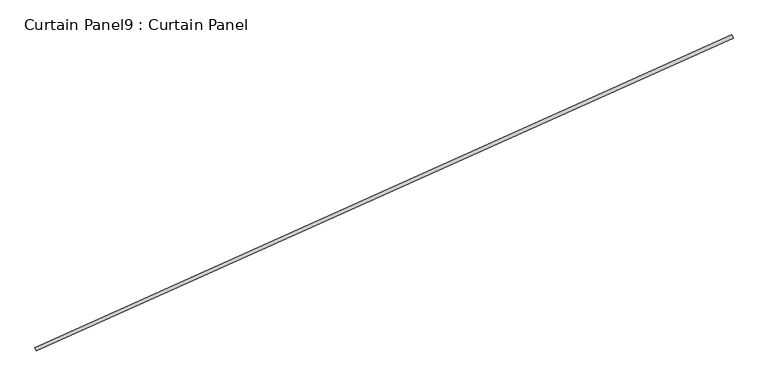
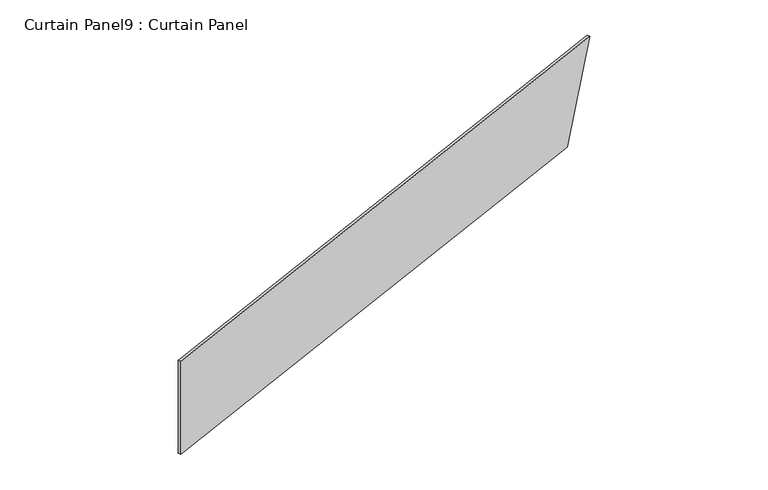
"""IFC4 building model written with IfcOpenShell, lengths in millimetres: plate geometry, Curtain Panel9 : Curtain Panel."""

from ifc_helpers import new_model, si_unit, frame, origin, place, context, project, spatial, polyline, outline, extrude, source, transform, mapped, element, save


def curtain_panel9_curtain_panel_3ec44170(model_context):
    return source(origin(), model_context, "Body", "SweptSolid", [
        extrude(outline(polyline([(0.0, 0.0), (0.0, -5308.1473498), (-914.4, -5616.8249544), (-914.4, 0.0), (0.0, 0.0)])), frame((36557.5770857, -12836.3437505, 13716.0), z_axis=(-0.4102319712783583, 0.9119812112873117, 0.0), x_axis=(0.0, 0.0, -1.0)), (0.0, 0.0, 1.0), 25.4),
    ])


if __name__ == "__main__":
    model = new_model("IFC4")
    model_context = context("Model", 3, world=origin())
    ifc_project = project(units=[si_unit("LENGTHUNIT", "METRE", prefix="MILLI")], contexts=[model_context])
    site = spatial("IfcSite", under=ifc_project)
    building = spatial("IfcBuilding", under=site)
    placement = place(None, origin())
    curtain_panel9_curtain_panel_shape = curtain_panel9_curtain_panel_3ec44170(model_context)
    element("IfcPlate", 1, ObjectType="Curtain Panel9 : Curtain Panel", at=placement, inside=building, context=model_context, shape_type="MappedRepresentation", body=[
        mapped(curtain_panel9_curtain_panel_shape, transform((0.0, 0.0, 0.0), x_axis=(1.0, 0.0, 0.0), y_axis=(0.0, 1.0, 0.0), z_axis=(0.0, 0.0, 1.0))),
    ])
    save(model, "model.ifc")
